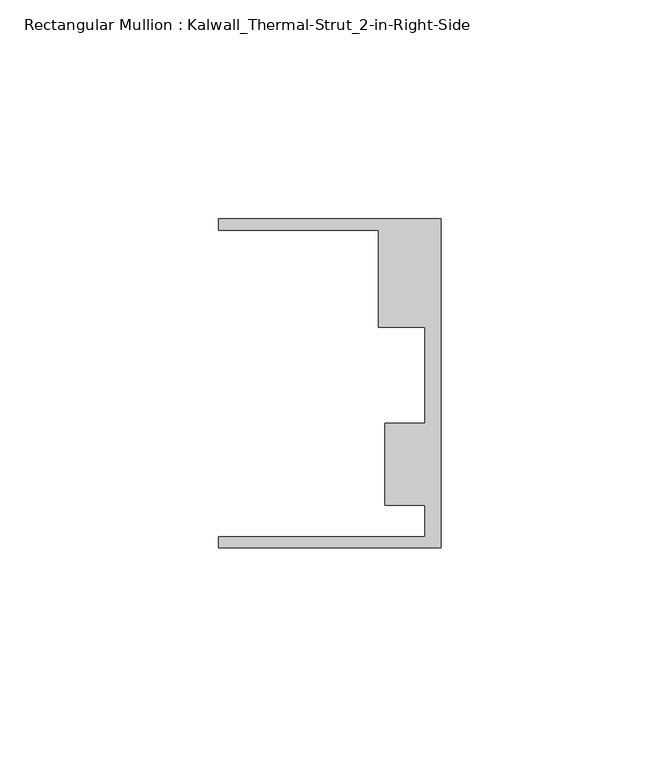
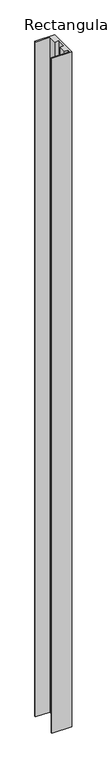
"""IFC4 building model written with IfcOpenShell, lengths in millimetres: member geometry, Rectangular Mullion : Kalwall_Thermal-Strut_2-in-Right-Side."""

from ifc_helpers import new_model, si_unit, frame, origin, place, context, project, spatial, polyline, outline, extrude, source, transform, mapped, element, save


def rectangular_mullion_kalwall_thermal_strut_2_in_right_side_6133e964(model_context):
    return source(origin(), model_context, "Body", "SweptSolid", [
        extrude(outline(polyline([(0.0, -37.5776386), (-50.8, -37.5776386), (-50.8, -35.0376386), (-3.7084, -35.0376386), (-3.7084, -27.8888568), (-12.8272539, -27.8888568), (-12.8272539, -9.1879886), (-3.7084, -9.1879886), (-3.7084, 12.7373614), (-14.2875, 12.7373614), (-14.2875, 34.9623614), (-50.8, 34.9623614), (-50.8, 37.5023614), (0.0, 37.5023614), (0.0, -37.5776386)])), frame((0.0, 0.0, -1827.425), z_axis=(0.0, 0.0, 1.0), x_axis=(1.0, 0.0, 0.0)), (0.0, 0.0, 1.0), 1827.425),
    ])


if __name__ == "__main__":
    model = new_model("IFC4")
    model_context = context("Model", 3, world=origin())
    ifc_project = project(units=[si_unit("LENGTHUNIT", "METRE", prefix="MILLI")], contexts=[model_context])
    site = spatial("IfcSite", under=ifc_project)
    building = spatial("IfcBuilding", under=site)
    placement = place(None, origin())
    rectangular_mullion_kalwall_thermal_strut_2_in_right_side_shape = rectangular_mullion_kalwall_thermal_strut_2_in_right_side_6133e964(model_context)
    element("IfcMember", 1, ObjectType="Rectangular Mullion : Kalwall_Thermal-Strut_2-in-Right-Side", at=placement, inside=building, context=model_context, shape_type="MappedRepresentation", body=[
        mapped(rectangular_mullion_kalwall_thermal_strut_2_in_right_side_shape, transform((0.0, 0.0, 0.0), x_axis=(1.0, 0.0, 0.0), y_axis=(0.0, 1.0, 0.0), z_axis=(0.0, 0.0, 1.0))),
    ])
    save(model, "model.ifc")
